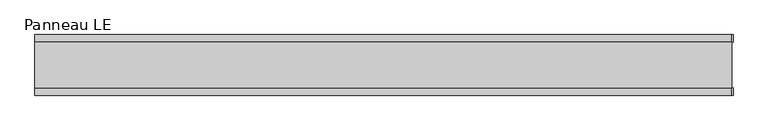
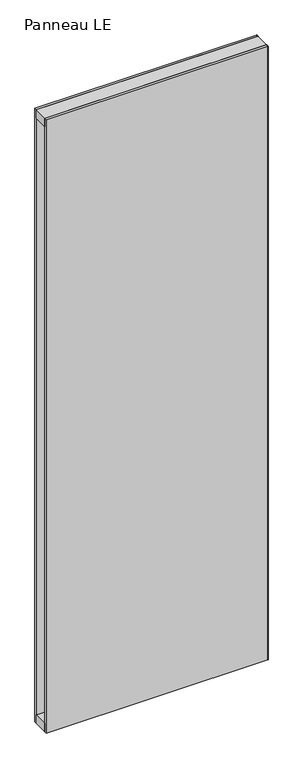
"""IFC4 building model written with IfcOpenShell, lengths in millimetres: plate geometry, Panneau LE."""

from ifc_helpers import new_model, si_unit, frame, origin, origin_with_axes, place, context, project, spatial, polyline, outline, extrude, source, transform, mapped, element, save


def panneau_le_f15f1a3a(model_context):
    return source(origin(), model_context, "Body", "SweptSolid", [
        extrude(outline(polyline([(502.7748676, 43.8), (502.7748676, 33.0), (500.7748676, 33.0), (500.7748676, 43.8), (502.7748676, 43.8)])), origin_with_axes(), (0.0, 0.0, 1.0), 2933.0),
        extrude(outline(polyline([(502.7748676, -33.0), (502.7748676, -43.8), (500.7748676, -43.8), (500.7748676, -33.0), (502.7748676, -33.0)])), origin_with_axes(), (0.0, 0.0, 1.0), 2933.0),
        extrude(outline(polyline([(500.7748676, -33.0), (-500.7748676, -33.0), (-500.7748676, 33.0), (500.7748676, 33.0), (500.7748676, -33.0)])), frame((0.0, 0.0, 2893.0), z_axis=(0.0, 0.0, 1.0), x_axis=(1.0, 0.0, 0.0)), (0.0, 0.0, 1.0), 40.0),
        extrude(outline(polyline([(500.7748676, -33.0), (-500.7748676, -33.0), (-500.7748676, 33.0), (500.7748676, 33.0), (500.7748676, -33.0)])), origin_with_axes(), (0.0, 0.0, 1.0), 40.0),
        extrude(outline(polyline([(500.7748676, 33.0), (-500.7748676, 33.0), (-500.7748676, 43.8), (500.7748676, 43.8), (500.7748676, 33.0)])), origin_with_axes(), (0.0, 0.0, 1.0), 2933.0),
        extrude(outline(polyline([(-500.7748676, -43.8), (-500.7748676, -33.0), (500.7748676, -33.0), (500.7748676, -43.8), (-500.7748676, -43.8)])), origin_with_axes(), (0.0, 0.0, 1.0), 2933.0),
    ])


if __name__ == "__main__":
    model = new_model("IFC4")
    model_context = context("Model", 3, world=origin())
    ifc_project = project(units=[si_unit("LENGTHUNIT", "METRE", prefix="MILLI")], contexts=[model_context])
    site = spatial("IfcSite", under=ifc_project)
    building = spatial("IfcBuilding", under=site)
    placement = place(None, origin())
    panneau_le_shape = panneau_le_f15f1a3a(model_context)
    element("IfcPlate", 1, ObjectType="Panneau LE", at=placement, inside=building, context=model_context, shape_type="MappedRepresentation", body=[
        mapped(panneau_le_shape, transform((0.0, 0.0, 0.0), x_axis=(1.0, 0.0, 0.0), y_axis=(0.0, 1.0, 0.0), z_axis=(0.0, 0.0, 1.0))),
    ])
    save(model, "model.ifc")
